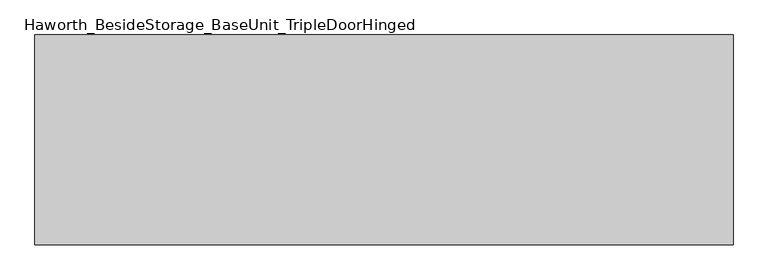
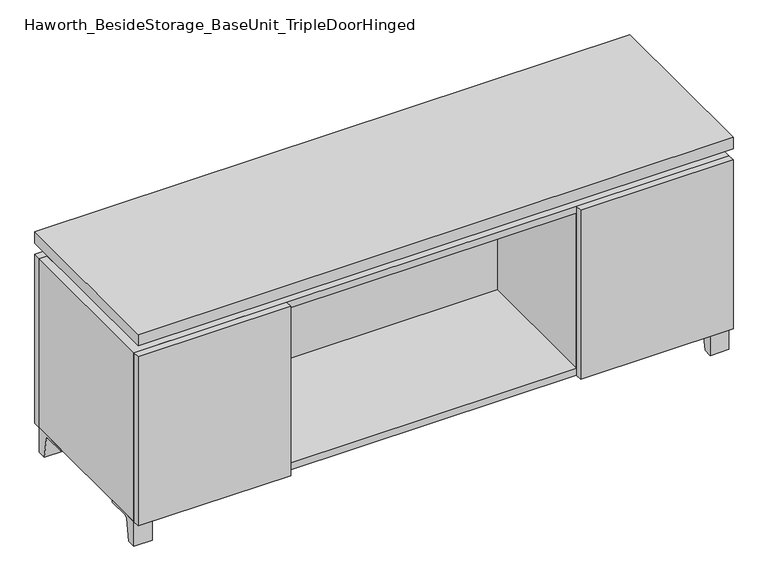
"""IFC4 building model written with IfcOpenShell, lengths in millimetres: furniture geometry, Haworth_BesideStorage_BaseUnit_TripleDoorHinged."""

from ifc_helpers import new_model, si_unit, point, frame, frame_2d, origin, place, context, project, spatial, polyline, circle_curve, trimmed, segment, composite_curve, outline, extrude, faceted_brep, source, transform, mapped, element, save


def haworth_besidestorage_baseunit_tripledoorhinged_22f55cd9(model_context):
    return source(origin(), model_context, "Body", "SolidModel", [
        extrude(outline(composite_curve([segment(polyline([(38.6291531, 0.0), (15.875, 0.0), (15.875, 66.675), (111.125, 66.675), (111.125, 61.8963321), (54.3244655, 61.8963321)]), True, "CONTINUOUS"), segment(trimmed(circle_curve(frame_2d((54.3244655, 55.5463321)), 6.35), [point((54.3244655, 61.8963321))], [point((48.0608641, 56.5902656))], True, "CARTESIAN"), True, "CONTINUOUS"), segment(polyline([(48.0608641, 56.5902656), (38.6291531, 0.0)]), True, "CONTINUOUS")], self_intersect=False)), frame((-23.7986094, 0.0, 0.0), z_axis=(1.0, 0.0, 0.0), x_axis=(0.0, 1.0, 0.0)), (0.0, 0.0, 1.0), 47.625),
        extrude(outline(composite_curve([segment(polyline([(-129.6458469, 0.0), (-152.4, 0.0), (-152.4, 66.675), (-57.15, 66.675), (-57.15, 61.8963321), (-113.9505345, 61.8963321)]), True, "CONTINUOUS"), segment(trimmed(circle_curve(frame_2d((-113.9505345, 55.5463321)), 6.35), [point((-113.9505345, 61.8963321))], [point((-120.2141359, 56.5902656))], True, "CARTESIAN"), True, "CONTINUOUS"), segment(polyline([(-120.2141359, 56.5902656), (-129.6458469, 0.0)]), True, "CONTINUOUS")], self_intersect=False)), frame((712.8013906, 0.0, 0.0), z_axis=(1.0, 0.0, 0.0), x_axis=(0.0, 1.0, 0.0)), (0.0, 0.0, 1.0), 47.625),
        extrude(outline(composite_curve([segment(polyline([(243.9458469, 0.0), (234.5141359, 56.5902656)]), True, "CONTINUOUS"), segment(trimmed(circle_curve(frame_2d((228.2505345, 55.5463321)), 6.35), [point((234.5141359, 56.5902656))], [point((228.2505345, 61.8963321))], True, "CARTESIAN"), True, "CONTINUOUS"), segment(polyline([(228.2505345, 61.8963321), (171.45, 61.8963321), (171.45, 66.675), (266.7, 66.675), (266.7, 0.0), (243.9458469, 0.0)]), True, "CONTINUOUS")], self_intersect=False)), frame((712.8013906, 0.0, 0.0), z_axis=(1.0, 0.0, 0.0), x_axis=(0.0, 1.0, 0.0)), (0.0, 0.0, 1.0), 47.625),
        extrude(outline(composite_curve([segment(polyline([(-129.6458469, 0.0), (-152.4, 0.0), (-152.4, 66.675), (-57.15, 66.675), (-57.15, 61.8963321), (-113.9505345, 61.8963321)]), True, "CONTINUOUS"), segment(trimmed(circle_curve(frame_2d((-113.9505345, 55.5463321)), 6.35), [point((-113.9505345, 61.8963321))], [point((-120.2141359, 56.5902656))], True, "CARTESIAN"), True, "CONTINUOUS"), segment(polyline([(-120.2141359, 56.5902656), (-129.6458469, 0.0)]), True, "CONTINUOUS")], self_intersect=False)), frame((-760.3986094, 0.0, 0.0), z_axis=(1.0, 0.0, 0.0), x_axis=(0.0, 1.0, 0.0)), (0.0, 0.0, 1.0), 47.625),
        extrude(outline(composite_curve([segment(polyline([(243.9458469, 0.0), (234.5141359, 56.5902656)]), True, "CONTINUOUS"), segment(trimmed(circle_curve(frame_2d((228.2505345, 55.5463321)), 6.35), [point((234.5141359, 56.5902656))], [point((228.2505345, 61.8963321))], True, "CARTESIAN"), True, "CONTINUOUS"), segment(polyline([(228.2505345, 61.8963321), (171.45, 61.8963321), (171.45, 66.675), (266.7, 66.675), (266.7, 0.0), (243.9458469, 0.0)]), True, "CONTINUOUS")], self_intersect=False)), frame((-760.3986094, 0.0, 0.0), z_axis=(1.0, 0.0, 0.0), x_axis=(0.0, 1.0, 0.0)), (0.0, 0.0, 1.0), 47.625),
        faceted_brep([(-760.3986094, -152.4, 66.675), (760.4125, -152.4, 66.675), (760.4125, -152.4, 523.875), (-760.3986094, -152.4, 523.875), (-741.3486094, -152.4, 85.725), (-741.3486094, -152.4, 504.825), (741.3694453, -152.4, 504.825), (741.3486094, -152.4, 85.725), (-760.3986094, 266.7, 66.675), (-760.3986094, 266.7, 523.875), (-741.3486094, 266.7, 523.875), (-741.3486094, 266.7, 85.725), (741.3486094, 266.7, 85.725), (741.3486094, 266.7, 523.875), (760.4125, 266.7, 523.875), (760.4125, 266.7, 66.675), (741.3486094, 241.3, 523.875), (-741.3416641, 241.3, 523.875), (-741.3486094, 241.3, 504.825), (741.3486094, 241.3, 504.825)], [[[0, 1, 2, 3], [4, 5, 6, 7]], [[8, 9, 10, 11, 12, 13, 14, 15]], [[1, 0, 8, 15]], [[2, 1, 15, 14]], [[3, 2, 14, 13, 16, 17, 10, 9]], [[0, 3, 9, 8]], [[11, 10, 17, 18, 5, 4]], [[13, 12, 7, 6, 19, 16]], [[4, 7, 12, 11]], [[6, 5, 18, 19]], [[17, 16, 19, 18]]]),
        extrude(outline(polyline([(760.4263906, -171.45), (-760.3986094, -171.45), (-760.3986094, 285.75), (760.4263906, 285.75), (760.4263906, -171.45)])), frame((0.0, 0.0, 554.0375), z_axis=(0.0, 0.0, 1.0), x_axis=(1.0, 0.0, 0.0)), (0.0, 0.0, 1.0), 30.1625),
        faceted_brep([(7.9513906, -76.2, 554.0375), (7.9513906, -76.2, 523.875), (7.9513906, 47.625, 523.875), (7.9513906, 47.625, 554.0375), (7.9513906, 190.5, 523.875), (7.9513906, 190.5, 554.0375), (7.9513906, 66.675, 554.0375), (7.9513906, 66.675, 523.875), (-7.9236094, 190.5, 554.0375), (-7.9236094, 190.5, 523.875), (-7.9236094, 66.675, 523.875), (-7.9236094, 66.675, 554.0375), (-7.9236094, -76.2, 523.875), (-7.9236094, -76.2, 554.0375), (-7.9236094, 47.625, 554.0375), (-7.9236094, 47.625, 523.875), (-719.0958281, 66.675, 554.0375), (-719.1166641, 241.3, 554.0375), (-734.9916641, 241.3, 554.0375), (-734.9916641, -127.0, 554.0375), (-719.1166641, -127.0, 554.0375), (-719.1166641, 47.625, 554.0375), (719.1236094, 47.625, 554.0375), (719.1236094, -127.0, 554.0375), (734.9986094, -127.0, 554.0375), (734.9986094, 241.3, 554.0375), (719.1236094, 241.3, 554.0375), (719.1236094, 66.675, 554.0375), (-719.0958281, 47.625, 523.875), (-719.1166641, -127.0, 523.875), (-734.9916641, -127.0, 523.875), (-734.9916641, 241.3, 523.875), (-719.1166641, 241.3, 523.875), (-719.1166641, 66.675, 523.875), (719.1236094, 66.675, 523.875), (719.1236094, 241.3, 523.875), (734.9986094, 241.3, 523.875), (734.9986094, -127.0, 523.875), (719.1236094, -127.0, 523.875), (719.1236094, 47.625, 523.875)], [[[0, 1, 2, 3]], [[4, 5, 6, 7]], [[8, 9, 10, 11]], [[12, 13, 14, 15]], [[5, 8, 11, 16, 17, 18, 19, 20, 21, 14, 13, 0, 3, 22, 23, 24, 25, 26, 27, 6]], [[1, 12, 15, 28, 29, 30, 31, 32, 33, 10, 9, 4, 7, 34, 35, 36, 37, 38, 39, 2]], [[5, 4, 9, 8]], [[1, 0, 13, 12]], [[6, 27, 34, 7]], [[22, 3, 2, 39]], [[20, 29, 28, 21]], [[32, 17, 16, 33]], [[18, 31, 30, 19]], [[29, 20, 19, 30]], [[17, 32, 31, 18]], [[26, 35, 34, 27]], [[38, 23, 22, 39]], [[25, 24, 37, 36]], [[23, 38, 37, 24]], [[35, 26, 25, 36]], [[16, 11, 10, 33]], [[14, 21, 28, 15]]]),
        extrude(outline(polyline([(760.4263906, 266.7), (-760.3986094, 266.7), (-760.3986094, 285.75), (760.4263906, 285.75), (760.4263906, 266.7)])), frame((0.0, 0.0, 66.675), z_axis=(0.0, 0.0, 1.0), x_axis=(1.0, 0.0, 0.0)), (0.0, 0.0, 1.0), 457.2),
        extrude(outline(polyline([(-741.3416641, 196.85), (-741.3416641, 203.2), (741.3694453, 203.2), (741.3694453, 196.85), (-741.3416641, 196.85)])), frame((0.0, 0.0, 85.725), z_axis=(0.0, 0.0, 1.0), x_axis=(1.0, 0.0, 0.0)), (0.0, 0.0, 1.0), 419.1),
        extrude(outline(polyline([(370.6951406, -171.45), (370.6951406, -152.4), (760.4263906, -152.4), (760.4263906, -171.45), (370.6951406, -171.45)])), frame((0.0, 0.0, 66.675), z_axis=(0.0, 0.0, 1.0), x_axis=(1.0, 0.0, 0.0)), (0.0, 0.0, 1.0), 457.2),
        extrude(outline(polyline([(-370.6673594, -171.45), (-760.3986094, -171.45), (-760.3986094, -152.4), (-370.6673594, -152.4), (-370.6673594, -171.45)])), frame((0.0, 0.0, 66.675), z_axis=(0.0, 0.0, 1.0), x_axis=(1.0, 0.0, 0.0)), (0.0, 0.0, 1.0), 457.2),
        extrude(outline(polyline([(370.6951406, 196.85), (389.7451406, 196.85), (389.7451406, -152.4), (370.6951406, -152.4), (370.6951406, 196.85)])), frame((0.0, 0.0, 85.725), z_axis=(0.0, 0.0, 1.0), x_axis=(1.0, 0.0, 0.0)), (0.0, 0.0, 1.0), 419.1),
        extrude(outline(polyline([(-389.7173594, 196.85), (-370.6673594, 196.85), (-370.6673594, -152.4), (-389.7173594, -152.4), (-389.7173594, 196.85)])), frame((0.0, 0.0, 85.725), z_axis=(0.0, 0.0, 1.0), x_axis=(1.0, 0.0, 0.0)), (0.0, 0.0, 1.0), 419.1),
    ])


if __name__ == "__main__":
    model = new_model("IFC4")
    model_context = context("Model", 3, world=origin())
    ifc_project = project(units=[si_unit("LENGTHUNIT", "METRE", prefix="MILLI")], contexts=[model_context])
    site = spatial("IfcSite", under=ifc_project)
    building = spatial("IfcBuilding", under=site)
    placement = place(None, origin())
    haworth_besidestorage_baseunit_tripledoorhinged_shape = haworth_besidestorage_baseunit_tripledoorhinged_22f55cd9(model_context)
    element("IfcFurniture", 1, ObjectType="Haworth_BesideStorage_BaseUnit_TripleDoorHinged", at=placement, inside=building, context=model_context, shape_type="MappedRepresentation", body=[
        mapped(haworth_besidestorage_baseunit_tripledoorhinged_shape, transform((0.0, 0.0, 0.0), x_axis=(1.0, 0.0, 0.0), y_axis=(0.0, 1.0, 0.0), z_axis=(0.0, 0.0, 1.0))),
    ])
    save(model, "model.ifc")
